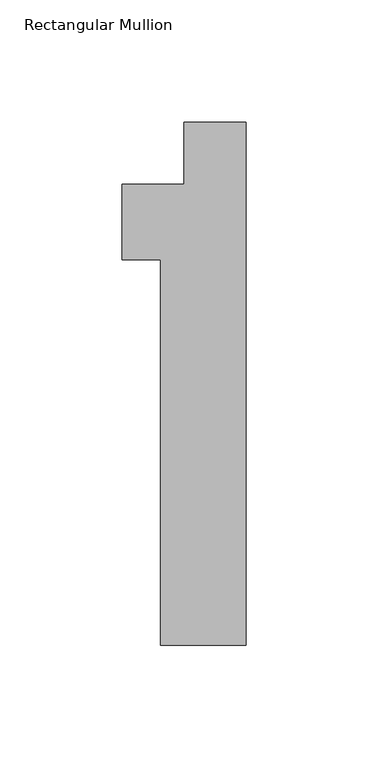
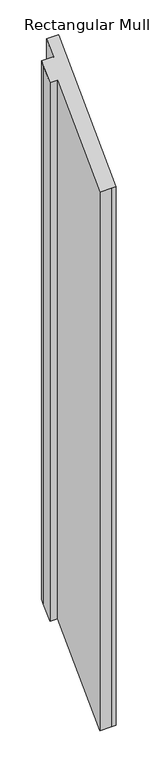
"""IFC4 building model written with IfcOpenShell, lengths in millimetres: member geometry, Rectangular Mullion."""

from ifc_helpers import new_model, si_unit, origin, place, context, project, spatial, faceted_brep, source, transform, mapped, element, save


def rectangular_mullion_f90bb5b3(model_context):
    return source(origin(), model_context, "Body", "Brep", [
        faceted_brep([(-12.7, 0.0, 0.0), (-9.525, 0.0, 0.0), (-9.525, 0.0, -1219.2), (-12.7, 0.0, -1219.2), (-25.4000001, 0.0, 0.0), (-25.4000001, 0.0, -1219.2), (-25.4000001, -25.4, -25.4), (-25.4000001, -25.4, -1244.6), (-50.8, -25.4, -25.4), (-50.8, -25.4, -1244.6), (-50.8, -31.75, -31.75), (-50.8, -31.75, -1250.95), (-50.8, -56.388, -56.388), (-50.8, -56.388, -1275.588), (-34.925, -56.388, -56.388), (-34.925, -56.388, -1275.588), (-34.925, -214.3125, -214.3125), (-34.925, -214.3125, -1433.5125), (-9.525, -214.3125, -214.3125), (-9.525, -214.3125, -1433.5125), (0.0, -214.3125, -214.3125), (0.0, -214.3125, -1433.5125), (0.0, 0.0, 0.0), (0.0, 0.0, -1219.2)], [[[0, 1, 2, 3]], [[4, 0, 3, 5]], [[6, 4, 5, 7]], [[8, 6, 7, 9]], [[10, 8, 9, 11]], [[12, 10, 11, 13]], [[14, 12, 13, 15]], [[16, 14, 15, 17]], [[18, 16, 17, 19]], [[20, 18, 19, 21]], [[22, 20, 21, 23]], [[1, 22, 23, 2]], [[1, 0, 4, 6, 8, 10, 12, 14, 16, 18, 20, 22]], [[2, 23, 21, 19, 17, 15, 13, 11, 9, 7, 5, 3]]]),
    ])


if __name__ == "__main__":
    model = new_model("IFC4")
    model_context = context("Model", 3, world=origin())
    ifc_project = project(units=[si_unit("LENGTHUNIT", "METRE", prefix="MILLI")], contexts=[model_context])
    site = spatial("IfcSite", under=ifc_project)
    building = spatial("IfcBuilding", under=site)
    placement = place(None, origin())
    rectangular_mullion_shape = rectangular_mullion_f90bb5b3(model_context)
    element("IfcMember", 1, ObjectType="Rectangular Mullion", at=placement, inside=building, context=model_context, shape_type="MappedRepresentation", body=[
        mapped(rectangular_mullion_shape, transform((0.0, 0.0, 0.0), x_axis=(1.0, 0.0, 0.0), y_axis=(0.0, 1.0, 0.0), z_axis=(0.0, 0.0, 1.0))),
    ])
    save(model, "model.ifc")
